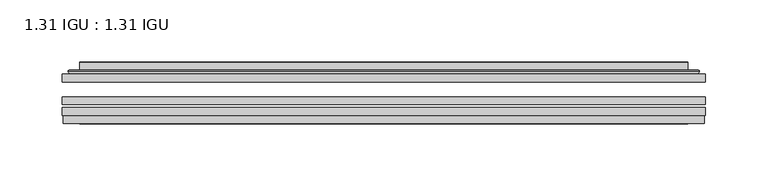
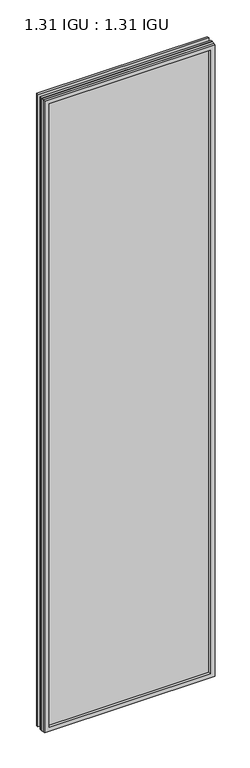
"""IFC4 building model written with IfcOpenShell, lengths in millimetres: plate geometry, 1.31 IGU : 1.31 IGU."""

import ifcopenshell
import ifcopenshell.guid

model = None  # the IFC model being written
_history = None  # IfcOwnerHistory: only IFC2X3 demands one
_inside = {}  # id of a spatial element -> (the spatial element, [elements in it])
_under = {}  # id of a project, library or spatial element -> (it, [spatial elements below it])
_declared = {}  # id of a project -> (the project, [libraries it declares])
_typed = {}  # id of a type object -> (the type object, [elements of that type])
_made_of = {}  # id of a material, layer set ... -> (it, [elements and type objects made of it])


def new_model(schema):
    """Start an empty IFC model of exactly this schema.

    Asked for "IFC4X3", IfcOpenShell would pick the latest addendum, in which some entities
    have other attributes; the version numbers below select the first issue.
    IFC2X3 requires an IfcOwnerHistory on every rooted entity: one is made here for all.
    """
    global model, _history
    if schema == "IFC4X3":
        model = ifcopenshell.file(schema_version=(4, 3, 0, 0))
    else:
        model = ifcopenshell.file(schema=schema)
    _inside.clear()
    _under.clear()
    _declared.clear()
    _typed.clear()
    _made_of.clear()
    _history = None
    if model.schema == "IFC2X3":
        org = make("IfcOrganization", Name="unknown")
        user = make(
            "IfcPersonAndOrganization",
            ThePerson=make("IfcPerson", FamilyName="unknown"),
            TheOrganization=org,
        )
        app = make(
            "IfcApplication",
            ApplicationDeveloper=org,
            Version="unknown",
            ApplicationFullName="unknown",
            ApplicationIdentifier="unknown",
        )
        _history = make(
            "IfcOwnerHistory",
            OwningUser=user,
            OwningApplication=app,
            ChangeAction="ADDED",
            CreationDate=0,
        )
    return model


def make(cls, **values):
    """One entity of the class cls with the attributes given. An attribute that is None is left unset."""
    return model.create_entity(
        cls, **{name: value for name, value in values.items() if value is not None}
    )


def rooted(cls, **values):
    """An entity with a GlobalId (a new one), such as an element, a storey or a relation."""
    return make(cls, GlobalId=ifcopenshell.guid.new(), OwnerHistory=_history, **values)


def si_unit(unit_type, name, prefix=None):
    """IfcSIUnit, for example si_unit("LENGTHUNIT", "METRE", prefix="MILLI")."""
    return make("IfcSIUnit", UnitType=unit_type, Prefix=prefix, Name=name)


def assignment(units):
    """IfcUnitAssignment: the units of a project."""
    return None if units is None else make("IfcUnitAssignment", Units=units)


def point(xyz):
    """IfcCartesianPoint."""
    return None if xyz is None else make("IfcCartesianPoint", Coordinates=xyz)


def direction(xyz):
    """IfcDirection."""
    return None if xyz is None else make("IfcDirection", DirectionRatios=xyz)


def frame(location, z_axis=None, x_axis=None):
    """IfcAxis2Placement3D, a coordinate frame: its origin and axes. An axis left out is left unset."""
    return make(
        "IfcAxis2Placement3D",
        Location=point(location),
        Axis=direction(z_axis),
        RefDirection=direction(x_axis),
    )


def origin():
    """The frame at (0, 0, 0) with its axes left unset."""
    return frame((0.0, 0.0, 0.0))


def place(relative_to, where):
    """IfcLocalPlacement: puts the frame where relative to a parent placement (None: the world)."""
    return make(
        "IfcLocalPlacement", PlacementRelTo=relative_to, RelativePlacement=where
    )


def context(
    kind, dimensions, precision=None, world=None, true_north=None, identifier=None
):
    """IfcGeometricRepresentationContext, for example the 3D "Model" context."""
    return make(
        "IfcGeometricRepresentationContext",
        ContextIdentifier=identifier,
        ContextType=kind,
        CoordinateSpaceDimension=dimensions,
        Precision=precision,
        WorldCoordinateSystem=world,
        TrueNorth=true_north,
    )


def project(units=None, contexts=None):
    """IfcProject with its units and contexts."""
    return rooted(
        "IfcProject",
        Name="project",
        RepresentationContexts=contexts,
        UnitsInContext=assignment(units),
    )


def spatial(cls, under=None, at=None, **own):
    """A site, building, storey or space (cls), placed at a placement, below another one or the project."""
    s = rooted(cls, ObjectPlacement=at, **own)
    if under is not None:
        _under.setdefault(under.id(), (under, []))[1].append(s)
    return s


def polyline(points):
    """IfcPolyline through the points."""
    return make("IfcPolyline", Points=[point(p) for p in points])


def ellipse_curve(where, semi_axis1, semi_axis2):
    """IfcEllipse in the frame where."""
    return make(
        "IfcEllipse", Position=where, SemiAxis1=semi_axis1, SemiAxis2=semi_axis2
    )


def outline(outer, holes=None, kind="AREA"):
    """IfcArbitraryClosedProfileDef: a profile drawn as a closed curve; with holes, ...WithVoids."""
    if holes is None:
        return make("IfcArbitraryClosedProfileDef", ProfileType=kind, OuterCurve=outer)
    return make(
        "IfcArbitraryProfileDefWithVoids",
        ProfileType=kind,
        OuterCurve=outer,
        InnerCurves=holes,
    )


def extrude(swept, where, along, depth):
    """IfcExtrudedAreaSolid: the profile swept, set in the frame where, extruded along a direction by depth."""
    return make(
        "IfcExtrudedAreaSolid",
        SweptArea=swept,
        Position=where,
        ExtrudedDirection=direction(along),
        Depth=depth,
    )


def faces_of(points, faces, orient=None, outer=None):
    """IfcFace entities. A face is a list of loops; a loop is a list of indices into points, from 0.

    orient and outer hold one flag for each loop. By default every Orientation is true, the
    first loop of a face is its IfcFaceOuterBound and the others are IfcFaceBound.
    """
    made = []
    for i, loops in enumerate(faces):
        bounds = []
        for j, loop in enumerate(loops):
            is_outer = j == 0 if outer is None else outer[i][j]
            bounds.append(
                make(
                    "IfcFaceOuterBound" if is_outer else "IfcFaceBound",
                    Bound=make("IfcPolyLoop", Polygon=[points[k] for k in loop]),
                    Orientation=True if orient is None else orient[i][j],
                )
            )
        made.append(make("IfcFace", Bounds=bounds))
    return made


def faceted_brep(points, faces, orient=None, outer=None, voids=None):
    """IfcFacetedBrep: a solid bounded by flat faces; with voids (closed shells), ...WithVoids."""
    shared = [point(p) for p in points]
    hull = make("IfcClosedShell", CfsFaces=faces_of(shared, faces, orient, outer))
    if voids is None:
        return make("IfcFacetedBrep", Outer=hull)
    return make(
        "IfcFacetedBrepWithVoids",
        Outer=hull,
        Voids=[
            make(cls, CfsFaces=faces_of(shared, fs, o, b)) for cls, fs, o, b in voids
        ],
    )


def shape(context_of_items, identifier, shape_type, items):
    """IfcShapeRepresentation: the items that make up one representation, for example the "Body"."""
    return make(
        "IfcShapeRepresentation",
        ContextOfItems=context_of_items,
        RepresentationIdentifier=identifier,
        RepresentationType=shape_type,
        Items=items,
    )


def source(mapping_origin, context_of_items, identifier, shape_type, items):
    """IfcRepresentationMap: a shape defined once, which mapped items show again and again."""
    return make(
        "IfcRepresentationMap",
        MappingOrigin=mapping_origin,
        MappedRepresentation=shape(context_of_items, identifier, shape_type, items),
    )


def transform(
    local_origin,
    x_axis=None,
    y_axis=None,
    z_axis=None,
    scale=None,
    scale2=None,
    scale3=None,
    uniform=True,
):
    """IfcCartesianTransformationOperator3D, or its non-uniform kind. x_axis, y_axis, z_axis: its Axis1, 2, 3."""
    if uniform:
        return make(
            "IfcCartesianTransformationOperator3D",
            Axis1=direction(x_axis),
            Axis2=direction(y_axis),
            LocalOrigin=point(local_origin),
            Scale=scale,
            Axis3=direction(z_axis),
        )
    return make(
        "IfcCartesianTransformationOperator3DnonUniform",
        Axis1=direction(x_axis),
        Axis2=direction(y_axis),
        LocalOrigin=point(local_origin),
        Scale=scale,
        Axis3=direction(z_axis),
        Scale2=scale2,
        Scale3=scale3,
    )


def mapped(mapping_source, mapping_target):
    """IfcMappedItem: shows the shape of a source again, moved by a transform."""
    return make(
        "IfcMappedItem", MappingSource=mapping_source, MappingTarget=mapping_target
    )


def made_of(thing, what):
    """Note that an element or type object is made of a material, layer set ...; save() writes the relation."""
    if what is not None:
        _made_of.setdefault(what.id(), (what, []))[1].append(thing)
    return thing


def element(
    cls,
    number,
    at=None,
    inside=None,
    cuts=None,
    type_object=None,
    material=None,
    context=None,
    identifier="Body",
    shape_type=None,
    held_by="IfcProductDefinitionShape",
    body=None,
    shapes=None,
    **own,
):
    """One element of the class cls, such as IfcWall. Its Tag is "e" and its number.

    at: its placement. inside: the storey or other place that contains it. cuts: it is an
    opening in that element (IfcRelVoidsElement). A single representation is given by context,
    identifier, shape_type and body (its items); several are given by shapes. held_by: the class
    of the entity that holds the representations. save() writes the other relations.
    """
    e = rooted(cls, Tag="e%d" % number, ObjectPlacement=at, **own)
    if body is not None:
        shapes = [shape(context, identifier, shape_type, body)]
    if shapes is not None:
        e.Representation = make(held_by, Representations=shapes)
    if inside is not None:
        _inside.setdefault(inside.id(), (inside, []))[1].append(e)
    if cuts is not None:
        rooted(
            "IfcRelVoidsElement", RelatingBuildingElement=cuts, RelatedOpeningElement=e
        )
    if type_object is not None:
        _typed.setdefault(type_object.id(), (type_object, []))[1].append(e)
    return made_of(e, material)


def aggregate(whole, parts):
    """IfcRelAggregates: a whole, such as a stair, and the parts it consists of."""
    return rooted("IfcRelAggregates", RelatingObject=whole, RelatedObjects=parts)


def save(model, path):
    """Write the relations noted so far, then the file.

    IfcRelAggregates (storeys below a building ...), IfcRelContainedInSpatialStructure (elements
    in a storey), IfcRelDefinesByType, IfcRelAssociatesMaterial and IfcRelDeclares: one each for
    every whole, place, type object, material and project.
    """
    for whole, parts in _under.values():
        aggregate(whole, parts)
    for where, things in _inside.values():
        rooted(
            "IfcRelContainedInSpatialStructure",
            RelatedElements=things,
            RelatingStructure=where,
        )
    for kind, things in _typed.values():
        rooted("IfcRelDefinesByType", RelatedObjects=things, RelatingType=kind)
    for what, things in _made_of.values():
        rooted("IfcRelAssociatesMaterial", RelatedObjects=things, RelatingMaterial=what)
    for by, libraries in _declared.values():
        rooted("IfcRelDeclares", RelatingContext=by, RelatedDefinitions=libraries)
    model.write(path)


def plane_surface(at):
    """IfcPlane: the flat surface through the origin of the frame at, square to its z axis."""
    return make("IfcPlane", Position=at)


def cylinder_surface(at, radius):
    """IfcCylindricalSurface: all points at the distance radius from the z axis of the frame at."""
    return make("IfcCylindricalSurface", Position=at, Radius=radius)


def advanced_brep(points, edges, surfaces, faces):
    """IfcAdvancedBrep: a solid bounded by faces that lie on surfaces and meet in shared edges.

    An edge is (start, end): straight between two places in points (the first is 0);
    or (start, end, curve); or (start, end, curve, False) where it runs against its curve.
    A face is (place in surfaces, loops), or (place, loops, False) where it looks against
    its surface's normal. A loop lists edges by number (the first is 1), with a minus sign
    where the edge is run from its end to its start. The first loop is the outer one.
    """
    corners = [point(p) for p in points]
    vertices = [make("IfcVertexPoint", VertexGeometry=c) for c in corners]
    made = []
    for start, end, *more in edges:
        made.append(
            make(
                "IfcEdgeCurve",
                EdgeStart=vertices[start],
                EdgeEnd=vertices[end],
                EdgeGeometry=more[0] if more else make("IfcPolyline", Points=[corners[start], corners[end]]),
                SameSense=more[1] if len(more) > 1 else True,
            )
        )
    hull = []
    for where, loops, *sense in faces:
        bounds = []
        for j, loop in enumerate(loops):
            ring = [make("IfcOrientedEdge", EdgeElement=made[abs(k) - 1], Orientation=k > 0) for k in loop]
            bounds.append(
                make(
                    "IfcFaceOuterBound" if j == 0 else "IfcFaceBound",
                    Bound=make("IfcEdgeLoop", EdgeList=ring),
                    Orientation=True,
                )
            )
        hull.append(make("IfcAdvancedFace", Bounds=bounds, FaceSurface=surfaces[where], SameSense=sense[0] if sense else True))
    return make("IfcAdvancedBrep", Outer=make("IfcClosedShell", CfsFaces=hull))


def plate_1_31_igu_1_31_igu_03a0f231(model_context):
    return source(origin(), model_context, "Body", "SolidModel", [
        extrude(outline(polyline([(258.8234066, -63.59525), (258.8234066, -69.94525), (-258.8092316, -69.94525), (-258.8092316, -63.59525), (258.8234066, -63.59525)])), frame((0.0, 0.0, -14.2875), z_axis=(0.0, 0.0, 1.0), x_axis=(1.0, 0.0, 0.0)), (0.0, 0.0, 1.0), 2022.4787979),
        extrude(outline(polyline([(-258.8092316, -78.58125), (-258.8092316, -72.230745), (258.8234066, -72.230745), (258.8234066, -78.58125), (-258.8092316, -78.58125)])), frame((0.0, 0.0, -14.2875), z_axis=(0.0, 0.0, 1.0), x_axis=(1.0, 0.0, 0.0)), (0.0, 0.0, 1.0), 2022.4787979),
        extrude(outline(polyline([(258.8234066, -45.25645), (258.8234066, -51.60645), (-258.8092316, -51.60645), (-258.8092316, -45.25645), (258.8234066, -45.25645)])), frame((0.0, 0.0, -14.2875), z_axis=(0.0, 0.0, 1.0), x_axis=(1.0, 0.0, 0.0)), (0.0, 0.0, 1.0), 2022.4787979),
        faceted_brep([(-258.1090459, -84.93125, 2007.4873142), (-258.1090459, -78.58125, 2007.4873142), (-258.1090459, -78.58125, -13.5873142), (-258.1090459, -84.93125, -13.5873142), (258.1090459, -78.58125, -13.5873142), (258.1090459, -84.93125, -13.5873142), (258.1090459, -78.58125, 2007.4873142), (258.1090459, -84.93125, 2007.4873142), (-243.6239875, -78.58125, 0.8977441), (243.6239875, -78.58125, 0.8977441), (243.6239875, -78.58125, 1993.0022559), (-243.6239875, -78.58125, 1993.0022559), (-244.5164218, -84.93125, 1993.8946902), (244.5164218, -84.93125, 1993.8946902), (244.5164218, -84.93125, 0.0053098), (-244.5164218, -84.93125, 0.0053098)], [[[0, 1, 2, 3]], [[3, 2, 4, 5]], [[5, 4, 6, 7]], [[1, 6, 4, 2], [8, 9, 10, 11]], [[7, 6, 1, 0]], [[3, 5, 7, 0], [12, 13, 14, 15]], [[11, 12, 15, 8]], [[8, 15, 14, 9]], [[9, 14, 13, 10]], [[10, 13, 12, 11]]]),
        advanced_brep(
        [(-251.5679507, -45.25645, 2000.946219), (-253.922156, -43.2667833, 2003.3004244), (-253.922156, -43.2667833, -9.4004244), (-251.5679507, -45.25645, -7.046219), (-242.4936255, -41.416413, 1991.8718939), (-237.5587937, -45.25645, 1986.9370621), (-237.5587937, -45.25645, 6.9629379), (-242.4936255, -41.416413, 2.0281061), (-243.5256533, -36.0191819, 1992.9039217), (-243.5256533, -36.0191819, 0.9960783), (-244.5163101, -35.6202069, 1993.8945784), (-244.5163101, -35.6202069, 0.0054216), (-244.5163101, -42.08145, 1993.8945784), (-244.5163101, -42.08145, 0.0054216), (-252.9203665, -42.08145, 2002.2986349), (-252.9203665, -42.08145, -8.3986349), (253.922156, -43.2667833, -9.4004244), (251.5679507, -45.25645, -7.046219), (237.5587937, -45.25645, 6.9629379), (242.4936255, -41.416413, 2.0281061), (243.5256533, -36.0191819, 0.9960783), (244.5163101, -35.6202069, 0.0054216), (244.5163101, -42.08145, 0.0054216), (252.9203665, -42.08145, -8.3986349), (253.922156, -43.2667833, 2003.3004244), (251.5679507, -45.25645, 2000.946219), (237.5587937, -45.25645, 1986.9370621), (242.4936255, -41.416413, 1991.8718939), (243.5256533, -36.0191819, 1992.9039217), (244.5163101, -35.6202069, 1993.8945784), (244.5163101, -42.08145, 1993.8945784), (252.9203665, -42.08145, 2002.2986349)],
        [
            (0, 1, ellipse_curve(frame((-251.5679507, -42.86885, 2000.946219), z_axis=(-0.7071067811865475, 0.0, -0.7071067811865475), x_axis=(-0.7071067811865474, 0.0, 0.7071067811865476)), 3.3765763, 2.3876)),
            (1, 2),
            (2, 3, ellipse_curve(frame((-251.5679507, -42.86885, -7.046219), z_axis=(-0.7071067811865475, 0.0, 0.7071067811865475), x_axis=(0.7071067811865474, 0.0, 0.7071067811865476)), 3.3765763, 2.3876)),
            (3, 0),
            (4, 5),
            (5, 6),
            (6, 7),
            (7, 4),
            (8, 4),
            (7, 9),
            (9, 8),
            (10, 8, ellipse_curve(frame((-244.1493535, -36.1384423, 1993.5276219), z_axis=(-0.7071067811865475, 0.0, -0.7071067811865475), x_axis=(-0.7071067811865474, 0.0, 0.7071067811865476)), 0.8980256, 0.635)),
            (9, 11, ellipse_curve(frame((-244.1493535, -36.1384423, 0.3723781), z_axis=(-0.7071067811865475, 0.0, 0.7071067811865475), x_axis=(0.7071067811865474, 0.0, 0.7071067811865476)), 0.8980256, 0.635)),
            (11, 10),
            (12, 10),
            (11, 13),
            (13, 12),
            (1, 14, ellipse_curve(frame((-252.9203665, -43.09745, 2002.2986349), z_axis=(-0.7071067811865475, 0.0, -0.7071067811865475), x_axis=(-0.7071067811865474, 0.0, 0.7071067811865476)), 1.436841, 1.016)),
            (14, 15),
            (15, 2, ellipse_curve(frame((-252.9203665, -43.09745, -8.3986349), z_axis=(-0.7071067811865475, 0.0, 0.7071067811865475), x_axis=(0.7071067811865474, 0.0, 0.7071067811865476)), 1.436841, 1.016)),
            (2, 16),
            (16, 17, ellipse_curve(frame((251.5679507, -42.86885, -7.046219), z_axis=(-0.7071067811865475, 0.0, -0.7071067811865475), x_axis=(-0.7071067811865476, 0.0, 0.7071067811865474)), 3.3765763, 2.3876)),
            (17, 3),
            (6, 18),
            (18, 19),
            (19, 7),
            (19, 20),
            (20, 9),
            (20, 21, ellipse_curve(frame((244.1493535, -36.1384423, 0.3723781), z_axis=(-0.7071067811865475, 0.0, -0.7071067811865475), x_axis=(-0.7071067811865476, 0.0, 0.7071067811865474)), 0.8980256, 0.635)),
            (21, 11),
            (21, 22),
            (22, 13),
            (15, 23),
            (23, 16, ellipse_curve(frame((252.9203665, -43.09745, -8.3986349), z_axis=(-0.7071067811865475, 0.0, -0.7071067811865475), x_axis=(-0.7071067811865476, 0.0, 0.7071067811865474)), 1.436841, 1.016)),
            (16, 24),
            (24, 25, ellipse_curve(frame((251.5679507, -42.86885, 2000.946219), z_axis=(0.7071067811865475, 0.0, -0.7071067811865475), x_axis=(-0.7071067811865474, 0.0, -0.7071067811865476)), 3.3765763, 2.3876)),
            (25, 17),
            (18, 26),
            (26, 27),
            (27, 19),
            (27, 28),
            (28, 20),
            (28, 29, ellipse_curve(frame((244.1493535, -36.1384423, 1993.5276219), z_axis=(0.7071067811865475, 0.0, -0.7071067811865475), x_axis=(-0.7071067811865474, 0.0, -0.7071067811865476)), 0.8980256, 0.635)),
            (29, 21),
            (29, 30),
            (30, 22),
            (23, 31),
            (31, 24, ellipse_curve(frame((252.9203665, -43.09745, 2002.2986349), z_axis=(0.7071067811865475, 0.0, -0.7071067811865475), x_axis=(-0.7071067811865474, 0.0, -0.7071067811865476)), 1.436841, 1.016)),
            (24, 1),
            (0, 25),
            (5, 26),
            (4, 27),
            (8, 28),
            (10, 29),
            (12, 30),
            (14, 31),
        ],
        [
            cylinder_surface(frame((-251.5679507, -42.86885, 2025.65), z_axis=(0.0, 0.0, 1.0), x_axis=(-1.0, 0.0, 0.0)), 2.3876),
            plane_surface(frame((-237.5587937, -45.25645, 1986.9370621), z_axis=(0.6141233906514794, 0.7892100234124821, 0.0), x_axis=(0.0, 0.0, -1.0))),
            plane_surface(frame((-242.4936255, -41.416413, 1991.8718939), z_axis=(0.9822050625507729, 0.18781164793386074, 0.0), x_axis=(0.0, 0.0, -1.0))),
            cylinder_surface(frame((-244.1493535, -36.1384423, 2025.65), z_axis=(0.0, 0.0, 1.0), x_axis=(-1.0, 0.0, 0.0)), 0.635),
            plane_surface(frame((-244.5163101, -35.6202069, 1993.8945784), z_axis=(-1.0, 0.0, 0.0), x_axis=(0.0, 0.0, -1.0))),
            cylinder_surface(frame((-252.9203665, -43.09745, 2025.65), z_axis=(0.0, 0.0, 1.0), x_axis=(-1.0, 0.0, 0.0)), 1.016),
            cylinder_surface(frame((-276.2717316, -42.86885, -7.046219), z_axis=(-1.0, 0.0, 0.0), x_axis=(0.0, 0.0, -1.0)), 2.3876),
            plane_surface(frame((-237.5587937, -45.25645, 6.9629379), z_axis=(0.0, 0.7892100234124841, 0.6141233906514768), x_axis=(1.0, 0.0, 0.0))),
            plane_surface(frame((-242.4936255, -41.416413, 2.0281061), z_axis=(0.0, 0.18781164793386393, 0.9822050625507723), x_axis=(1.0, 0.0, 0.0))),
            cylinder_surface(frame((-276.2717316, -36.1384423, 0.3723781), z_axis=(-1.0, 0.0, 0.0), x_axis=(0.0, 0.0, -1.0)), 0.635),
            plane_surface(frame((-244.5163101, -35.6202069, 0.0054216), z_axis=(0.0, 0.0, -1.0), x_axis=(1.0, 0.0, 0.0))),
            cylinder_surface(frame((-276.2717316, -43.09745, -8.3986349), z_axis=(-1.0, 0.0, 0.0), x_axis=(0.0, 0.0, -1.0)), 1.016),
            cylinder_surface(frame((251.5679507, -42.86885, -31.75), z_axis=(0.0, 0.0, -1.0), x_axis=(1.0, 0.0, 0.0)), 2.3876),
            plane_surface(frame((237.5587937, -45.25645, 6.9629379), z_axis=(-0.6141233906514743, 0.7892100234124861, 0.0), x_axis=(0.0, 0.0, 1.0))),
            plane_surface(frame((242.4936255, -41.416413, 2.0281061), z_axis=(-0.9822050625507718, 0.18781164793386712, 0.0), x_axis=(0.0, 0.0, 1.0))),
            cylinder_surface(frame((244.1493535, -36.1384423, -31.75), z_axis=(0.0, 0.0, -1.0), x_axis=(1.0, 0.0, 0.0)), 0.635),
            plane_surface(frame((244.5163101, -35.6202069, 0.0054216), z_axis=(1.0, 0.0, 0.0), x_axis=(0.0, 0.0, 1.0))),
            cylinder_surface(frame((252.9203665, -43.09745, -31.75), z_axis=(0.0, 0.0, -1.0), x_axis=(1.0, 0.0, 0.0)), 1.016),
            cylinder_surface(frame((276.2717316, -42.86885, 2000.946219), z_axis=(1.0, 0.0, 0.0), x_axis=(0.0, 0.0, 1.0)), 2.3876),
            plane_surface(frame((251.5679507, -45.25645, 2000.946219), z_axis=(0.0, -1.0, 0.0), x_axis=(-1.0, 0.0, 0.0))),
            plane_surface(frame((237.5587937, -45.25645, 1986.9370621), z_axis=(0.0, 0.7892100234124841, -0.6141233906514768), x_axis=(-1.0, 0.0, 0.0))),
            plane_surface(frame((242.4936255, -41.416413, 1991.8718939), z_axis=(0.0, 0.18781164793386393, -0.9822050625507723), x_axis=(-1.0, 0.0, 0.0))),
            cylinder_surface(frame((276.2717316, -36.1384423, 1993.5276219), z_axis=(1.0, 0.0, 0.0), x_axis=(0.0, 0.0, 1.0)), 0.635),
            plane_surface(frame((244.5163101, -35.6202069, 1993.8945784), z_axis=(0.0, 0.0, 1.0), x_axis=(-1.0, 0.0, 0.0))),
            plane_surface(frame((244.5163101, -42.08145, 1993.8945784), z_axis=(0.0, 1.0, 0.0), x_axis=(-1.0, 0.0, 0.0))),
            cylinder_surface(frame((276.2717316, -43.09745, 2002.2986349), z_axis=(1.0, 0.0, 0.0), x_axis=(0.0, 0.0, 1.0)), 1.016),
        ],
        [
            (0, [[1, 2, 3, 4]]),
            (1, [[5, 6, 7, 8]]),
            (2, [[9, -8, 10, 11]]),
            (3, [[12, -11, 13, 14]]),
            (4, [[15, -14, 16, 17]]),
            (5, [[18, 19, 20, -2]]),
            (6, [[-3, 21, 22, 23]]),
            (7, [[-7, 24, 25, 26]]),
            (8, [[-10, -26, 27, 28]]),
            (9, [[-13, -28, 29, 30]]),
            (10, [[-16, -30, 31, 32]]),
            (11, [[-20, 33, 34, -21]]),
            (12, [[-22, 35, 36, 37]]),
            (13, [[-25, 38, 39, 40]]),
            (14, [[-27, -40, 41, 42]]),
            (15, [[-29, -42, 43, 44]]),
            (16, [[-31, -44, 45, 46]]),
            (17, [[-34, 47, 48, -35]]),
            (18, [[-36, 49, -1, 50]]),
            (19, [[-23, -37, -50, -4], [51, -38, -24, -6]]),
            (20, [[-39, -51, -5, 52]]),
            (21, [[-41, -52, -9, 53]]),
            (22, [[-43, -53, -12, 54]]),
            (23, [[-45, -54, -15, 55]]),
            (24, [[56, -47, -33, -19], [-32, -46, -55, -17]]),
            (25, [[-48, -56, -18, -49]]),
        ],
    ),
    ])


if __name__ == "__main__":
    model = new_model("IFC4")
    model_context = context("Model", 3, world=origin())
    ifc_project = project(units=[si_unit("LENGTHUNIT", "METRE", prefix="MILLI")], contexts=[model_context])
    site = spatial("IfcSite", under=ifc_project)
    building = spatial("IfcBuilding", under=site)
    placement = place(None, origin())
    plate_1_31_igu_1_31_igu_shape = plate_1_31_igu_1_31_igu_03a0f231(model_context)
    element("IfcPlate", 1, ObjectType="1.31 IGU : 1.31 IGU", at=placement, inside=building, context=model_context, shape_type="MappedRepresentation", body=[
        mapped(plate_1_31_igu_1_31_igu_shape, transform((0.0, 0.0, 0.0), x_axis=(1.0, 0.0, 0.0), y_axis=(0.0, 1.0, 0.0), z_axis=(0.0, 0.0, 1.0))),
    ])
    save(model, "model.ifc")
